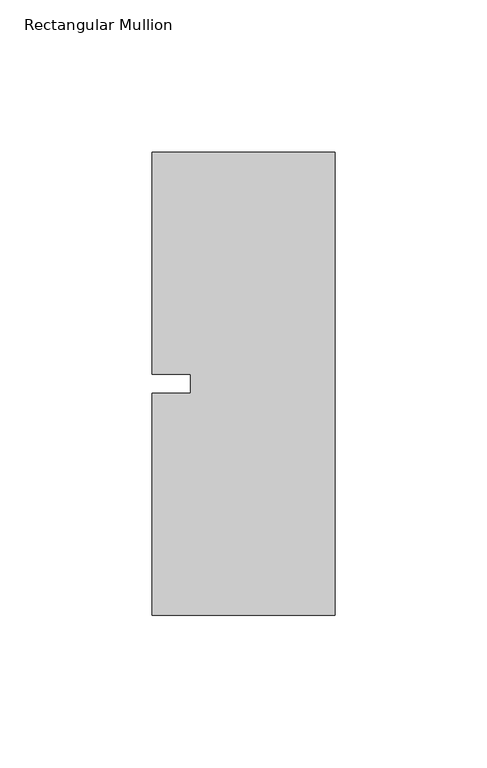
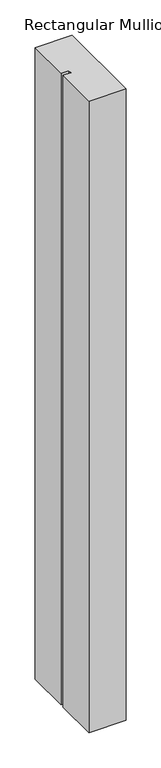
"""IFC4 building model written with IfcOpenShell, lengths in millimetres: member geometry, Rectangular Mullion."""

from ifc_helpers import new_model, si_unit, frame, origin, place, context, project, spatial, polyline, outline, extrude, source, transform, mapped, element, save


def rectangular_mullion_4fd76147(model_context):
    return source(origin(), model_context, "Body", "SweptSolid", [
        extrude(outline(polyline([(-60.325, 76.2), (0.0, 76.2), (0.0, -76.2), (-60.325, -76.2), (-60.325, -3.175), (-47.625, -3.175), (-47.625, 3.175), (-60.325, 3.175), (-60.325, 76.2)])), frame((0.0, 0.0, -1091.0405973), z_axis=(0.0, 0.0, 1.0), x_axis=(1.0, 0.0, 0.0)), (0.0, 0.0, 1.0), 1091.0405973),
    ])


if __name__ == "__main__":
    model = new_model("IFC4")
    model_context = context("Model", 3, world=origin())
    ifc_project = project(units=[si_unit("LENGTHUNIT", "METRE", prefix="MILLI")], contexts=[model_context])
    site = spatial("IfcSite", under=ifc_project)
    building = spatial("IfcBuilding", under=site)
    placement = place(None, origin())
    rectangular_mullion_shape = rectangular_mullion_4fd76147(model_context)
    element("IfcMember", 1, ObjectType="Rectangular Mullion", at=placement, inside=building, context=model_context, shape_type="MappedRepresentation", body=[
        mapped(rectangular_mullion_shape, transform((0.0, 0.0, 0.0), x_axis=(1.0, 0.0, 0.0), y_axis=(0.0, 1.0, 0.0), z_axis=(0.0, 0.0, 1.0))),
    ])
    save(model, "model.ifc")
